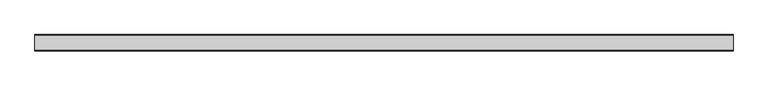
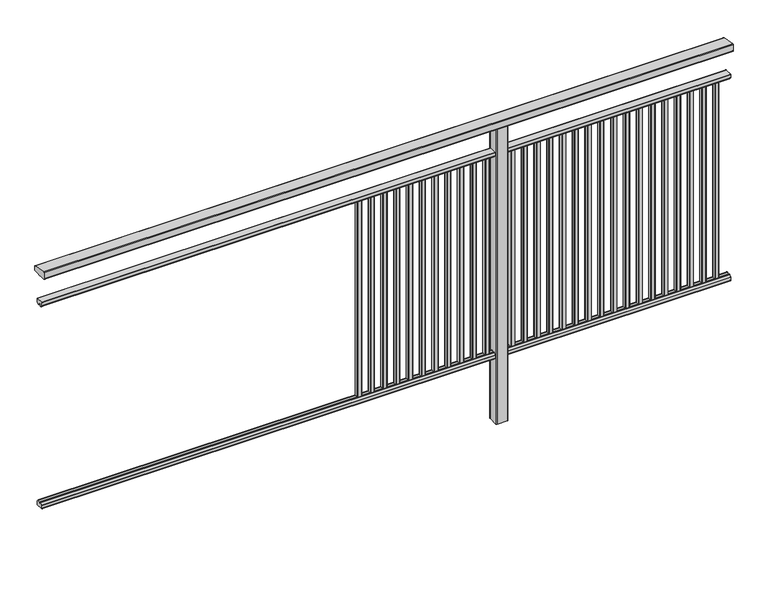
"""IFC4 building model written with IfcOpenShell, lengths in millimetres: railing geometry."""

from ifc_helpers import new_model, si_unit, point, frame, frame_2d, origin, place, context, project, spatial, polyline, circle_curve, trimmed, segment, composite_curve, outline, extrude, source, transform, mapped, element, save


def railing_857678ed(model_context):
    return source(origin(), model_context, "Body", "SweptSolid", [
        extrude(outline(composite_curve([segment(polyline([(8389.3630551, 1199.9544233), (8453.3630551, 1188.6694965)]), True, "CONTINUOUS"), segment(trimmed(circle_curve(frame_2d((8452.8421106, 1185.7150732)), 3.0), [point((8453.3630551, 1188.6694965))], [point((8455.8421106, 1185.7150732))], False, "CARTESIAN"), True, "CONTINUOUS"), segment(polyline([(8455.8421106, 1185.7150732), (8455.8421106, 1169.2)]), True, "CONTINUOUS"), segment(trimmed(circle_curve(frame_2d((8452.8421106, 1169.2)), 3.0), [point((8455.8421106, 1169.2))], [point((8452.8421106, 1166.2))], False, "CARTESIAN"), True, "CONTINUOUS"), segment(polyline([(8452.8421106, 1166.2), (8429.17694, 1166.2)]), True, "CONTINUOUS"), segment(trimmed(circle_curve(frame_2d((8420.8500931, 1183.2818957)), 19.003356), [point((8429.17694, 1166.2))], [point((8412.5232463, 1166.2))], False, "CARTESIAN"), True, "CONTINUOUS"), segment(polyline([(8412.5232463, 1166.2), (8388.8421106, 1166.2)]), True, "CONTINUOUS"), segment(trimmed(circle_curve(frame_2d((8388.8421106, 1169.2)), 3.0), [point((8388.8421106, 1166.2))], [point((8385.8421106, 1169.2))], False, "CARTESIAN"), True, "CONTINUOUS"), segment(polyline([(8385.8421106, 1169.2), (8385.8421106, 1197.0)]), True, "CONTINUOUS"), segment(trimmed(circle_curve(frame_2d((8388.8421106, 1197.0)), 3.0), [point((8385.8421106, 1197.0))], [point((8389.3630551, 1199.9544233))], False, "CARTESIAN"), True, "CONTINUOUS")], self_intersect=False)), frame((3671.3946925, 0.0, 0.0), z_axis=(1.0, 0.0, 0.0), x_axis=(0.0, 1.0, 0.0)), (0.0, 0.0, 1.0), 3000.0),
        extrude(outline(composite_curve([segment(polyline([(8436.5508136, 100.0), (8405.1507946, 100.0)]), True, "CONTINUOUS"), segment(trimmed(circle_curve(frame_2d((8405.1507946, 101.8)), 1.8), [point((8405.1507946, 100.0))], [point((8403.3507946, 101.8))], False, "CARTESIAN"), True, "CONTINUOUS"), segment(polyline([(8403.3507946, 101.8), (8403.3507946, 115.5269955)]), True, "CONTINUOUS"), segment(trimmed(circle_curve(frame_2d((8405.1507946, 115.5269955)), 1.8), [point((8403.3507946, 115.5269955))], [point((8403.7923399, 116.7079277))], False, "CARTESIAN"), True, "CONTINUOUS"), segment(polyline([(8403.7923399, 116.7079277), (8410.4626384, 124.3809322)]), True, "CONTINUOUS"), segment(trimmed(circle_curve(frame_2d((8411.8210931, 123.2)), 1.8), [point((8410.4626384, 124.3809322))], [point((8411.8210931, 125.0))], False, "CARTESIAN"), True, "CONTINUOUS"), segment(polyline([(8411.8210931, 125.0), (8415.5111113, 125.0), (8416.809143, 113.0), (8424.8924411, 113.0), (8426.1904978, 125.0), (8429.88054, 125.0)]), True, "CONTINUOUS"), segment(trimmed(circle_curve(frame_2d((8429.88054, 123.2)), 1.8), [point((8429.88054, 125.0))], [point((8431.2389969, 124.3809297))], False, "CARTESIAN"), True, "CONTINUOUS"), segment(polyline([(8431.2389969, 124.3809297), (8437.9092704, 116.7079252)]), True, "CONTINUOUS"), segment(trimmed(circle_curve(frame_2d((8436.5508136, 115.5269955)), 1.8), [point((8437.9092704, 116.7079252))], [point((8438.3508136, 115.5269955))], False, "CARTESIAN"), True, "CONTINUOUS"), segment(polyline([(8438.3508136, 115.5269955), (8438.3508136, 101.8)]), True, "CONTINUOUS"), segment(trimmed(circle_curve(frame_2d((8436.5508136, 101.8)), 1.8), [point((8438.3508136, 101.8))], [point((8436.5508136, 100.0))], False, "CARTESIAN"), True, "CONTINUOUS")], self_intersect=False)), frame((3671.3946925, 0.0, 0.0), z_axis=(1.0, 0.0, 0.0), x_axis=(0.0, 1.0, 0.0)), (0.0, 0.0, 1.0), 3000.0),
        extrude(outline(composite_curve([segment(polyline([(8405.1507946, 1050.0), (8436.5508136, 1050.0)]), True, "CONTINUOUS"), segment(trimmed(circle_curve(frame_2d((8436.5508136, 1048.2)), 1.8), [point((8436.5508136, 1050.0))], [point((8438.3508136, 1048.2))], False, "CARTESIAN"), True, "CONTINUOUS"), segment(polyline([(8438.3508136, 1048.2), (8438.3508136, 1034.4730045)]), True, "CONTINUOUS"), segment(trimmed(circle_curve(frame_2d((8436.5508136, 1034.4730045)), 1.8), [point((8438.3508136, 1034.4730045))], [point((8437.9092704, 1033.2920748))], False, "CARTESIAN"), True, "CONTINUOUS"), segment(polyline([(8437.9092704, 1033.2920748), (8431.2389969, 1025.6190703)]), True, "CONTINUOUS"), segment(trimmed(circle_curve(frame_2d((8429.88054, 1026.8)), 1.8), [point((8431.2389969, 1025.6190703))], [point((8429.88054, 1025.0))], False, "CARTESIAN"), True, "CONTINUOUS"), segment(polyline([(8429.88054, 1025.0), (8426.1904978, 1025.0), (8424.8924411, 1037.0), (8416.809143, 1037.0), (8415.5111113, 1025.0), (8411.8210931, 1025.0)]), True, "CONTINUOUS"), segment(trimmed(circle_curve(frame_2d((8411.8210931, 1026.8)), 1.8), [point((8411.8210931, 1025.0))], [point((8410.4626384, 1025.6190678))], False, "CARTESIAN"), True, "CONTINUOUS"), segment(polyline([(8410.4626384, 1025.6190678), (8403.7923399, 1033.2920723)]), True, "CONTINUOUS"), segment(trimmed(circle_curve(frame_2d((8405.1507946, 1034.4730045)), 1.8), [point((8403.7923399, 1033.2920723))], [point((8403.3507946, 1034.4730045))], False, "CARTESIAN"), True, "CONTINUOUS"), segment(polyline([(8403.3507946, 1034.4730045), (8403.3507946, 1048.2)]), True, "CONTINUOUS"), segment(trimmed(circle_curve(frame_2d((8405.1507946, 1048.2)), 1.8), [point((8403.3507946, 1048.2))], [point((8405.1507946, 1050.0))], False, "CARTESIAN"), True, "CONTINUOUS")], self_intersect=False)), frame((3671.3946925, 0.0, 0.0), z_axis=(1.0, 0.0, 0.0), x_axis=(0.0, 1.0, 0.0)), (0.0, 0.0, 1.0), 3000.0),
        extrude(outline(composite_curve([segment(trimmed(circle_curve(frame_2d((6608.2391355, 8428.4508236)), 1.4), [point((6606.8391355, 8428.4508236))], [point((6608.2391355, 8429.8508236))], False, "CARTESIAN"), True, "CONTINUOUS"), segment(polyline([(6608.2391355, 8429.8508236), (6623.4391385, 8429.8508236)]), True, "CONTINUOUS"), segment(trimmed(circle_curve(frame_2d((6623.4391385, 8428.4508236)), 1.4), [point((6623.4391385, 8429.8508236))], [point((6624.8391385, 8428.4508236))], False, "CARTESIAN"), True, "CONTINUOUS"), segment(polyline([(6624.8391385, 8428.4508236), (6624.8391385, 8413.2507846)]), True, "CONTINUOUS"), segment(trimmed(circle_curve(frame_2d((6623.4391385, 8413.2507846)), 1.4), [point((6624.8391385, 8413.2507846))], [point((6623.4391385, 8411.8507846))], False, "CARTESIAN"), True, "CONTINUOUS"), segment(polyline([(6623.4391385, 8411.8507846), (6608.2391355, 8411.8507846)]), True, "CONTINUOUS"), segment(trimmed(circle_curve(frame_2d((6608.2391355, 8413.2507846)), 1.4), [point((6608.2391355, 8411.8507846))], [point((6606.8391355, 8413.2507846))], False, "CARTESIAN"), True, "CONTINUOUS"), segment(polyline([(6606.8391355, 8413.2507846), (6606.8391355, 8428.4508236)]), True, "CONTINUOUS")], self_intersect=False)), frame((0.0, 0.0, 125.0), z_axis=(0.0, 0.0, 1.0), x_axis=(1.0, 0.0, 0.0)), (0.0, 0.0, 1.0), 900.0),
        extrude(outline(composite_curve([segment(trimmed(circle_curve(frame_2d((6552.6835799, 8428.4508236)), 1.4), [point((6551.2835799, 8428.4508236))], [point((6552.6835799, 8429.8508236))], False, "CARTESIAN"), True, "CONTINUOUS"), segment(polyline([(6552.6835799, 8429.8508236), (6567.8835829, 8429.8508236)]), True, "CONTINUOUS"), segment(trimmed(circle_curve(frame_2d((6567.8835829, 8428.4508236)), 1.4), [point((6567.8835829, 8429.8508236))], [point((6569.2835829, 8428.4508236))], False, "CARTESIAN"), True, "CONTINUOUS"), segment(polyline([(6569.2835829, 8428.4508236), (6569.2835829, 8413.2507846)]), True, "CONTINUOUS"), segment(trimmed(circle_curve(frame_2d((6567.8835829, 8413.2507846)), 1.4), [point((6569.2835829, 8413.2507846))], [point((6567.8835829, 8411.8507846))], False, "CARTESIAN"), True, "CONTINUOUS"), segment(polyline([(6567.8835829, 8411.8507846), (6552.6835799, 8411.8507846)]), True, "CONTINUOUS"), segment(trimmed(circle_curve(frame_2d((6552.6835799, 8413.2507846)), 1.4), [point((6552.6835799, 8411.8507846))], [point((6551.2835799, 8413.2507846))], False, "CARTESIAN"), True, "CONTINUOUS"), segment(polyline([(6551.2835799, 8413.2507846), (6551.2835799, 8428.4508236)]), True, "CONTINUOUS")], self_intersect=False)), frame((0.0, 0.0, 125.0), z_axis=(0.0, 0.0, 1.0), x_axis=(1.0, 0.0, 0.0)), (0.0, 0.0, 1.0), 900.0),
        extrude(outline(composite_curve([segment(trimmed(circle_curve(frame_2d((6497.1280244, 8428.4508236)), 1.4), [point((6495.7280244, 8428.4508236))], [point((6497.1280244, 8429.8508236))], False, "CARTESIAN"), True, "CONTINUOUS"), segment(polyline([(6497.1280244, 8429.8508236), (6512.3280274, 8429.8508236)]), True, "CONTINUOUS"), segment(trimmed(circle_curve(frame_2d((6512.3280274, 8428.4508236)), 1.4), [point((6512.3280274, 8429.8508236))], [point((6513.7280274, 8428.4508236))], False, "CARTESIAN"), True, "CONTINUOUS"), segment(polyline([(6513.7280274, 8428.4508236), (6513.7280274, 8413.2507846)]), True, "CONTINUOUS"), segment(trimmed(circle_curve(frame_2d((6512.3280274, 8413.2507846)), 1.4), [point((6513.7280274, 8413.2507846))], [point((6512.3280274, 8411.8507846))], False, "CARTESIAN"), True, "CONTINUOUS"), segment(polyline([(6512.3280274, 8411.8507846), (6497.1280244, 8411.8507846)]), True, "CONTINUOUS"), segment(trimmed(circle_curve(frame_2d((6497.1280244, 8413.2507846)), 1.4), [point((6497.1280244, 8411.8507846))], [point((6495.7280244, 8413.2507846))], False, "CARTESIAN"), True, "CONTINUOUS"), segment(polyline([(6495.7280244, 8413.2507846), (6495.7280244, 8428.4508236)]), True, "CONTINUOUS")], self_intersect=False)), frame((0.0, 0.0, 125.0), z_axis=(0.0, 0.0, 1.0), x_axis=(1.0, 0.0, 0.0)), (0.0, 0.0, 1.0), 900.0),
        extrude(outline(composite_curve([segment(trimmed(circle_curve(frame_2d((6441.5724688, 8428.4508236)), 1.4), [point((6440.1724688, 8428.4508236))], [point((6441.5724688, 8429.8508236))], False, "CARTESIAN"), True, "CONTINUOUS"), segment(polyline([(6441.5724688, 8429.8508236), (6456.7724718, 8429.8508236)]), True, "CONTINUOUS"), segment(trimmed(circle_curve(frame_2d((6456.7724718, 8428.4508236)), 1.4), [point((6456.7724718, 8429.8508236))], [point((6458.1724718, 8428.4508236))], False, "CARTESIAN"), True, "CONTINUOUS"), segment(polyline([(6458.1724718, 8428.4508236), (6458.1724718, 8413.2507846)]), True, "CONTINUOUS"), segment(trimmed(circle_curve(frame_2d((6456.7724718, 8413.2507846)), 1.4), [point((6458.1724718, 8413.2507846))], [point((6456.7724718, 8411.8507846))], False, "CARTESIAN"), True, "CONTINUOUS"), segment(polyline([(6456.7724718, 8411.8507846), (6441.5724688, 8411.8507846)]), True, "CONTINUOUS"), segment(trimmed(circle_curve(frame_2d((6441.5724688, 8413.2507846)), 1.4), [point((6441.5724688, 8411.8507846))], [point((6440.1724688, 8413.2507846))], False, "CARTESIAN"), True, "CONTINUOUS"), segment(polyline([(6440.1724688, 8413.2507846), (6440.1724688, 8428.4508236)]), True, "CONTINUOUS")], self_intersect=False)), frame((0.0, 0.0, 125.0), z_axis=(0.0, 0.0, 1.0), x_axis=(1.0, 0.0, 0.0)), (0.0, 0.0, 1.0), 900.0),
        extrude(outline(composite_curve([segment(trimmed(circle_curve(frame_2d((6386.0169133, 8428.4508236)), 1.4), [point((6384.6169133, 8428.4508236))], [point((6386.0169133, 8429.8508236))], False, "CARTESIAN"), True, "CONTINUOUS"), segment(polyline([(6386.0169133, 8429.8508236), (6401.2169163, 8429.8508236)]), True, "CONTINUOUS"), segment(trimmed(circle_curve(frame_2d((6401.2169163, 8428.4508236)), 1.4), [point((6401.2169163, 8429.8508236))], [point((6402.6169163, 8428.4508236))], False, "CARTESIAN"), True, "CONTINUOUS"), segment(polyline([(6402.6169163, 8428.4508236), (6402.6169163, 8413.2507846)]), True, "CONTINUOUS"), segment(trimmed(circle_curve(frame_2d((6401.2169163, 8413.2507846)), 1.4), [point((6402.6169163, 8413.2507846))], [point((6401.2169163, 8411.8507846))], False, "CARTESIAN"), True, "CONTINUOUS"), segment(polyline([(6401.2169163, 8411.8507846), (6386.0169133, 8411.8507846)]), True, "CONTINUOUS"), segment(trimmed(circle_curve(frame_2d((6386.0169133, 8413.2507846)), 1.4), [point((6386.0169133, 8411.8507846))], [point((6384.6169133, 8413.2507846))], False, "CARTESIAN"), True, "CONTINUOUS"), segment(polyline([(6384.6169133, 8413.2507846), (6384.6169133, 8428.4508236)]), True, "CONTINUOUS")], self_intersect=False)), frame((0.0, 0.0, 125.0), z_axis=(0.0, 0.0, 1.0), x_axis=(1.0, 0.0, 0.0)), (0.0, 0.0, 1.0), 900.0),
        extrude(outline(composite_curve([segment(trimmed(circle_curve(frame_2d((6330.4613577, 8428.4508236)), 1.4), [point((6329.0613577, 8428.4508236))], [point((6330.4613577, 8429.8508236))], False, "CARTESIAN"), True, "CONTINUOUS"), segment(polyline([(6330.4613577, 8429.8508236), (6345.6613607, 8429.8508236)]), True, "CONTINUOUS"), segment(trimmed(circle_curve(frame_2d((6345.6613607, 8428.4508236)), 1.4), [point((6345.6613607, 8429.8508236))], [point((6347.0613607, 8428.4508236))], False, "CARTESIAN"), True, "CONTINUOUS"), segment(polyline([(6347.0613607, 8428.4508236), (6347.0613607, 8413.2507846)]), True, "CONTINUOUS"), segment(trimmed(circle_curve(frame_2d((6345.6613607, 8413.2507846)), 1.4), [point((6347.0613607, 8413.2507846))], [point((6345.6613607, 8411.8507846))], False, "CARTESIAN"), True, "CONTINUOUS"), segment(polyline([(6345.6613607, 8411.8507846), (6330.4613577, 8411.8507846)]), True, "CONTINUOUS"), segment(trimmed(circle_curve(frame_2d((6330.4613577, 8413.2507846)), 1.4), [point((6330.4613577, 8411.8507846))], [point((6329.0613577, 8413.2507846))], False, "CARTESIAN"), True, "CONTINUOUS"), segment(polyline([(6329.0613577, 8413.2507846), (6329.0613577, 8428.4508236)]), True, "CONTINUOUS")], self_intersect=False)), frame((0.0, 0.0, 125.0), z_axis=(0.0, 0.0, 1.0), x_axis=(1.0, 0.0, 0.0)), (0.0, 0.0, 1.0), 900.0),
        extrude(outline(composite_curve([segment(trimmed(circle_curve(frame_2d((6274.9058021, 8428.4508236)), 1.4), [point((6273.5058021, 8428.4508236))], [point((6274.9058021, 8429.8508236))], False, "CARTESIAN"), True, "CONTINUOUS"), segment(polyline([(6274.9058021, 8429.8508236), (6290.1058051, 8429.8508236)]), True, "CONTINUOUS"), segment(trimmed(circle_curve(frame_2d((6290.1058051, 8428.4508236)), 1.4), [point((6290.1058051, 8429.8508236))], [point((6291.5058051, 8428.4508236))], False, "CARTESIAN"), True, "CONTINUOUS"), segment(polyline([(6291.5058051, 8428.4508236), (6291.5058051, 8413.2507846)]), True, "CONTINUOUS"), segment(trimmed(circle_curve(frame_2d((6290.1058051, 8413.2507846)), 1.4), [point((6291.5058051, 8413.2507846))], [point((6290.1058051, 8411.8507846))], False, "CARTESIAN"), True, "CONTINUOUS"), segment(polyline([(6290.1058051, 8411.8507846), (6274.9058021, 8411.8507846)]), True, "CONTINUOUS"), segment(trimmed(circle_curve(frame_2d((6274.9058021, 8413.2507846)), 1.4), [point((6274.9058021, 8411.8507846))], [point((6273.5058021, 8413.2507846))], False, "CARTESIAN"), True, "CONTINUOUS"), segment(polyline([(6273.5058021, 8413.2507846), (6273.5058021, 8428.4508236)]), True, "CONTINUOUS")], self_intersect=False)), frame((0.0, 0.0, 125.0), z_axis=(0.0, 0.0, 1.0), x_axis=(1.0, 0.0, 0.0)), (0.0, 0.0, 1.0), 900.0),
        extrude(outline(composite_curve([segment(trimmed(circle_curve(frame_2d((6219.3502466, 8428.4508236)), 1.4), [point((6217.9502466, 8428.4508236))], [point((6219.3502466, 8429.8508236))], False, "CARTESIAN"), True, "CONTINUOUS"), segment(polyline([(6219.3502466, 8429.8508236), (6234.5502496, 8429.8508236)]), True, "CONTINUOUS"), segment(trimmed(circle_curve(frame_2d((6234.5502496, 8428.4508236)), 1.4), [point((6234.5502496, 8429.8508236))], [point((6235.9502496, 8428.4508236))], False, "CARTESIAN"), True, "CONTINUOUS"), segment(polyline([(6235.9502496, 8428.4508236), (6235.9502496, 8413.2507846)]), True, "CONTINUOUS"), segment(trimmed(circle_curve(frame_2d((6234.5502496, 8413.2507846)), 1.4), [point((6235.9502496, 8413.2507846))], [point((6234.5502496, 8411.8507846))], False, "CARTESIAN"), True, "CONTINUOUS"), segment(polyline([(6234.5502496, 8411.8507846), (6219.3502466, 8411.8507846)]), True, "CONTINUOUS"), segment(trimmed(circle_curve(frame_2d((6219.3502466, 8413.2507846)), 1.4), [point((6219.3502466, 8411.8507846))], [point((6217.9502466, 8413.2507846))], False, "CARTESIAN"), True, "CONTINUOUS"), segment(polyline([(6217.9502466, 8413.2507846), (6217.9502466, 8428.4508236)]), True, "CONTINUOUS")], self_intersect=False)), frame((0.0, 0.0, 125.0), z_axis=(0.0, 0.0, 1.0), x_axis=(1.0, 0.0, 0.0)), (0.0, 0.0, 1.0), 900.0),
        extrude(outline(composite_curve([segment(trimmed(circle_curve(frame_2d((6163.794691, 8428.4508236)), 1.4), [point((6162.394691, 8428.4508236))], [point((6163.794691, 8429.8508236))], False, "CARTESIAN"), True, "CONTINUOUS"), segment(polyline([(6163.794691, 8429.8508236), (6178.994694, 8429.8508236)]), True, "CONTINUOUS"), segment(trimmed(circle_curve(frame_2d((6178.994694, 8428.4508236)), 1.4), [point((6178.994694, 8429.8508236))], [point((6180.394694, 8428.4508236))], False, "CARTESIAN"), True, "CONTINUOUS"), segment(polyline([(6180.394694, 8428.4508236), (6180.394694, 8413.2507846)]), True, "CONTINUOUS"), segment(trimmed(circle_curve(frame_2d((6178.994694, 8413.2507846)), 1.4), [point((6180.394694, 8413.2507846))], [point((6178.994694, 8411.8507846))], False, "CARTESIAN"), True, "CONTINUOUS"), segment(polyline([(6178.994694, 8411.8507846), (6163.794691, 8411.8507846)]), True, "CONTINUOUS"), segment(trimmed(circle_curve(frame_2d((6163.794691, 8413.2507846)), 1.4), [point((6163.794691, 8411.8507846))], [point((6162.394691, 8413.2507846))], False, "CARTESIAN"), True, "CONTINUOUS"), segment(polyline([(6162.394691, 8413.2507846), (6162.394691, 8428.4508236)]), True, "CONTINUOUS")], self_intersect=False)), frame((0.0, 0.0, 125.0), z_axis=(0.0, 0.0, 1.0), x_axis=(1.0, 0.0, 0.0)), (0.0, 0.0, 1.0), 900.0),
        extrude(outline(composite_curve([segment(trimmed(circle_curve(frame_2d((6108.2391355, 8428.4508236)), 1.4), [point((6106.8391355, 8428.4508236))], [point((6108.2391355, 8429.8508236))], False, "CARTESIAN"), True, "CONTINUOUS"), segment(polyline([(6108.2391355, 8429.8508236), (6123.4391385, 8429.8508236)]), True, "CONTINUOUS"), segment(trimmed(circle_curve(frame_2d((6123.4391385, 8428.4508236)), 1.4), [point((6123.4391385, 8429.8508236))], [point((6124.8391385, 8428.4508236))], False, "CARTESIAN"), True, "CONTINUOUS"), segment(polyline([(6124.8391385, 8428.4508236), (6124.8391385, 8413.2507846)]), True, "CONTINUOUS"), segment(trimmed(circle_curve(frame_2d((6123.4391385, 8413.2507846)), 1.4), [point((6124.8391385, 8413.2507846))], [point((6123.4391385, 8411.8507846))], False, "CARTESIAN"), True, "CONTINUOUS"), segment(polyline([(6123.4391385, 8411.8507846), (6108.2391355, 8411.8507846)]), True, "CONTINUOUS"), segment(trimmed(circle_curve(frame_2d((6108.2391355, 8413.2507846)), 1.4), [point((6108.2391355, 8411.8507846))], [point((6106.8391355, 8413.2507846))], False, "CARTESIAN"), True, "CONTINUOUS"), segment(polyline([(6106.8391355, 8413.2507846), (6106.8391355, 8428.4508236)]), True, "CONTINUOUS")], self_intersect=False)), frame((0.0, 0.0, 125.0), z_axis=(0.0, 0.0, 1.0), x_axis=(1.0, 0.0, 0.0)), (0.0, 0.0, 1.0), 900.0),
        extrude(outline(composite_curve([segment(trimmed(circle_curve(frame_2d((6052.6835799, 8428.4508236)), 1.4), [point((6051.2835799, 8428.4508236))], [point((6052.6835799, 8429.8508236))], False, "CARTESIAN"), True, "CONTINUOUS"), segment(polyline([(6052.6835799, 8429.8508236), (6067.8835829, 8429.8508236)]), True, "CONTINUOUS"), segment(trimmed(circle_curve(frame_2d((6067.8835829, 8428.4508236)), 1.4), [point((6067.8835829, 8429.8508236))], [point((6069.2835829, 8428.4508236))], False, "CARTESIAN"), True, "CONTINUOUS"), segment(polyline([(6069.2835829, 8428.4508236), (6069.2835829, 8413.2507846)]), True, "CONTINUOUS"), segment(trimmed(circle_curve(frame_2d((6067.8835829, 8413.2507846)), 1.4), [point((6069.2835829, 8413.2507846))], [point((6067.8835829, 8411.8507846))], False, "CARTESIAN"), True, "CONTINUOUS"), segment(polyline([(6067.8835829, 8411.8507846), (6052.6835799, 8411.8507846)]), True, "CONTINUOUS"), segment(trimmed(circle_curve(frame_2d((6052.6835799, 8413.2507846)), 1.4), [point((6052.6835799, 8411.8507846))], [point((6051.2835799, 8413.2507846))], False, "CARTESIAN"), True, "CONTINUOUS"), segment(polyline([(6051.2835799, 8413.2507846), (6051.2835799, 8428.4508236)]), True, "CONTINUOUS")], self_intersect=False)), frame((0.0, 0.0, 125.0), z_axis=(0.0, 0.0, 1.0), x_axis=(1.0, 0.0, 0.0)), (0.0, 0.0, 1.0), 900.0),
        extrude(outline(composite_curve([segment(trimmed(circle_curve(frame_2d((5997.1280244, 8428.4508236)), 1.4), [point((5995.7280244, 8428.4508236))], [point((5997.1280244, 8429.8508236))], False, "CARTESIAN"), True, "CONTINUOUS"), segment(polyline([(5997.1280244, 8429.8508236), (6012.3280274, 8429.8508236)]), True, "CONTINUOUS"), segment(trimmed(circle_curve(frame_2d((6012.3280274, 8428.4508236)), 1.4), [point((6012.3280274, 8429.8508236))], [point((6013.7280274, 8428.4508236))], False, "CARTESIAN"), True, "CONTINUOUS"), segment(polyline([(6013.7280274, 8428.4508236), (6013.7280274, 8413.2507846)]), True, "CONTINUOUS"), segment(trimmed(circle_curve(frame_2d((6012.3280274, 8413.2507846)), 1.4), [point((6013.7280274, 8413.2507846))], [point((6012.3280274, 8411.8507846))], False, "CARTESIAN"), True, "CONTINUOUS"), segment(polyline([(6012.3280274, 8411.8507846), (5997.1280244, 8411.8507846)]), True, "CONTINUOUS"), segment(trimmed(circle_curve(frame_2d((5997.1280244, 8413.2507846)), 1.4), [point((5997.1280244, 8411.8507846))], [point((5995.7280244, 8413.2507846))], False, "CARTESIAN"), True, "CONTINUOUS"), segment(polyline([(5995.7280244, 8413.2507846), (5995.7280244, 8428.4508236)]), True, "CONTINUOUS")], self_intersect=False)), frame((0.0, 0.0, 125.0), z_axis=(0.0, 0.0, 1.0), x_axis=(1.0, 0.0, 0.0)), (0.0, 0.0, 1.0), 900.0),
        extrude(outline(composite_curve([segment(trimmed(circle_curve(frame_2d((5941.5724688, 8428.4508236)), 1.4), [point((5940.1724688, 8428.4508236))], [point((5941.5724688, 8429.8508236))], False, "CARTESIAN"), True, "CONTINUOUS"), segment(polyline([(5941.5724688, 8429.8508236), (5956.7724718, 8429.8508236)]), True, "CONTINUOUS"), segment(trimmed(circle_curve(frame_2d((5956.7724718, 8428.4508236)), 1.4), [point((5956.7724718, 8429.8508236))], [point((5958.1724718, 8428.4508236))], False, "CARTESIAN"), True, "CONTINUOUS"), segment(polyline([(5958.1724718, 8428.4508236), (5958.1724718, 8413.2507846)]), True, "CONTINUOUS"), segment(trimmed(circle_curve(frame_2d((5956.7724718, 8413.2507846)), 1.4), [point((5958.1724718, 8413.2507846))], [point((5956.7724718, 8411.8507846))], False, "CARTESIAN"), True, "CONTINUOUS"), segment(polyline([(5956.7724718, 8411.8507846), (5941.5724688, 8411.8507846)]), True, "CONTINUOUS"), segment(trimmed(circle_curve(frame_2d((5941.5724688, 8413.2507846)), 1.4), [point((5941.5724688, 8411.8507846))], [point((5940.1724688, 8413.2507846))], False, "CARTESIAN"), True, "CONTINUOUS"), segment(polyline([(5940.1724688, 8413.2507846), (5940.1724688, 8428.4508236)]), True, "CONTINUOUS")], self_intersect=False)), frame((0.0, 0.0, 125.0), z_axis=(0.0, 0.0, 1.0), x_axis=(1.0, 0.0, 0.0)), (0.0, 0.0, 1.0), 900.0),
        extrude(outline(composite_curve([segment(trimmed(circle_curve(frame_2d((5886.0169133, 8428.4508236)), 1.4), [point((5884.6169133, 8428.4508236))], [point((5886.0169133, 8429.8508236))], False, "CARTESIAN"), True, "CONTINUOUS"), segment(polyline([(5886.0169133, 8429.8508236), (5901.2169163, 8429.8508236)]), True, "CONTINUOUS"), segment(trimmed(circle_curve(frame_2d((5901.2169163, 8428.4508236)), 1.4), [point((5901.2169163, 8429.8508236))], [point((5902.6169163, 8428.4508236))], False, "CARTESIAN"), True, "CONTINUOUS"), segment(polyline([(5902.6169163, 8428.4508236), (5902.6169163, 8413.2507846)]), True, "CONTINUOUS"), segment(trimmed(circle_curve(frame_2d((5901.2169163, 8413.2507846)), 1.4), [point((5902.6169163, 8413.2507846))], [point((5901.2169163, 8411.8507846))], False, "CARTESIAN"), True, "CONTINUOUS"), segment(polyline([(5901.2169163, 8411.8507846), (5886.0169133, 8411.8507846)]), True, "CONTINUOUS"), segment(trimmed(circle_curve(frame_2d((5886.0169133, 8413.2507846)), 1.4), [point((5886.0169133, 8411.8507846))], [point((5884.6169133, 8413.2507846))], False, "CARTESIAN"), True, "CONTINUOUS"), segment(polyline([(5884.6169133, 8413.2507846), (5884.6169133, 8428.4508236)]), True, "CONTINUOUS")], self_intersect=False)), frame((0.0, 0.0, 125.0), z_axis=(0.0, 0.0, 1.0), x_axis=(1.0, 0.0, 0.0)), (0.0, 0.0, 1.0), 900.0),
        extrude(outline(composite_curve([segment(trimmed(circle_curve(frame_2d((5830.4613577, 8428.4508236)), 1.4), [point((5829.0613577, 8428.4508236))], [point((5830.4613577, 8429.8508236))], False, "CARTESIAN"), True, "CONTINUOUS"), segment(polyline([(5830.4613577, 8429.8508236), (5845.6613607, 8429.8508236)]), True, "CONTINUOUS"), segment(trimmed(circle_curve(frame_2d((5845.6613607, 8428.4508236)), 1.4), [point((5845.6613607, 8429.8508236))], [point((5847.0613607, 8428.4508236))], False, "CARTESIAN"), True, "CONTINUOUS"), segment(polyline([(5847.0613607, 8428.4508236), (5847.0613607, 8413.2507846)]), True, "CONTINUOUS"), segment(trimmed(circle_curve(frame_2d((5845.6613607, 8413.2507846)), 1.4), [point((5847.0613607, 8413.2507846))], [point((5845.6613607, 8411.8507846))], False, "CARTESIAN"), True, "CONTINUOUS"), segment(polyline([(5845.6613607, 8411.8507846), (5830.4613577, 8411.8507846)]), True, "CONTINUOUS"), segment(trimmed(circle_curve(frame_2d((5830.4613577, 8413.2507846)), 1.4), [point((5830.4613577, 8411.8507846))], [point((5829.0613577, 8413.2507846))], False, "CARTESIAN"), True, "CONTINUOUS"), segment(polyline([(5829.0613577, 8413.2507846), (5829.0613577, 8428.4508236)]), True, "CONTINUOUS")], self_intersect=False)), frame((0.0, 0.0, 125.0), z_axis=(0.0, 0.0, 1.0), x_axis=(1.0, 0.0, 0.0)), (0.0, 0.0, 1.0), 900.0),
        extrude(outline(composite_curve([segment(trimmed(circle_curve(frame_2d((5774.9058021, 8428.4508236)), 1.4), [point((5773.5058021, 8428.4508236))], [point((5774.9058021, 8429.8508236))], False, "CARTESIAN"), True, "CONTINUOUS"), segment(polyline([(5774.9058021, 8429.8508236), (5790.1058051, 8429.8508236)]), True, "CONTINUOUS"), segment(trimmed(circle_curve(frame_2d((5790.1058051, 8428.4508236)), 1.4), [point((5790.1058051, 8429.8508236))], [point((5791.5058051, 8428.4508236))], False, "CARTESIAN"), True, "CONTINUOUS"), segment(polyline([(5791.5058051, 8428.4508236), (5791.5058051, 8413.2507846)]), True, "CONTINUOUS"), segment(trimmed(circle_curve(frame_2d((5790.1058051, 8413.2507846)), 1.4), [point((5791.5058051, 8413.2507846))], [point((5790.1058051, 8411.8507846))], False, "CARTESIAN"), True, "CONTINUOUS"), segment(polyline([(5790.1058051, 8411.8507846), (5774.9058021, 8411.8507846)]), True, "CONTINUOUS"), segment(trimmed(circle_curve(frame_2d((5774.9058021, 8413.2507846)), 1.4), [point((5774.9058021, 8411.8507846))], [point((5773.5058021, 8413.2507846))], False, "CARTESIAN"), True, "CONTINUOUS"), segment(polyline([(5773.5058021, 8413.2507846), (5773.5058021, 8428.4508236)]), True, "CONTINUOUS")], self_intersect=False)), frame((0.0, 0.0, 125.0), z_axis=(0.0, 0.0, 1.0), x_axis=(1.0, 0.0, 0.0)), (0.0, 0.0, 1.0), 900.0),
        extrude(outline(composite_curve([segment(trimmed(circle_curve(frame_2d((5719.3502466, 8428.4508236)), 1.4), [point((5717.9502466, 8428.4508236))], [point((5719.3502466, 8429.8508236))], False, "CARTESIAN"), True, "CONTINUOUS"), segment(polyline([(5719.3502466, 8429.8508236), (5734.5502496, 8429.8508236)]), True, "CONTINUOUS"), segment(trimmed(circle_curve(frame_2d((5734.5502496, 8428.4508236)), 1.4), [point((5734.5502496, 8429.8508236))], [point((5735.9502496, 8428.4508236))], False, "CARTESIAN"), True, "CONTINUOUS"), segment(polyline([(5735.9502496, 8428.4508236), (5735.9502496, 8413.2507846)]), True, "CONTINUOUS"), segment(trimmed(circle_curve(frame_2d((5734.5502496, 8413.2507846)), 1.4), [point((5735.9502496, 8413.2507846))], [point((5734.5502496, 8411.8507846))], False, "CARTESIAN"), True, "CONTINUOUS"), segment(polyline([(5734.5502496, 8411.8507846), (5719.3502466, 8411.8507846)]), True, "CONTINUOUS"), segment(trimmed(circle_curve(frame_2d((5719.3502466, 8413.2507846)), 1.4), [point((5719.3502466, 8411.8507846))], [point((5717.9502466, 8413.2507846))], False, "CARTESIAN"), True, "CONTINUOUS"), segment(polyline([(5717.9502466, 8413.2507846), (5717.9502466, 8428.4508236)]), True, "CONTINUOUS")], self_intersect=False)), frame((0.0, 0.0, 125.0), z_axis=(0.0, 0.0, 1.0), x_axis=(1.0, 0.0, 0.0)), (0.0, 0.0, 1.0), 900.0),
        extrude(outline(composite_curve([segment(trimmed(circle_curve(frame_2d((5693.7947043, 8443.2508153)), 3.0), [point((5693.794704, 8446.2508153))], [point((5696.7947043, 8443.2508156))], False, "CARTESIAN"), True, "CONTINUOUS"), segment(polyline([(5696.7947043, 8443.2508156), (5696.7947083, 8398.4507926)]), True, "CONTINUOUS"), segment(trimmed(circle_curve(frame_2d((5693.7947083, 8398.4507923)), 3.0), [point((5696.7947083, 8398.4507926))], [point((5693.7947086, 8395.4507923))], False, "CARTESIAN"), True, "CONTINUOUS"), segment(polyline([(5693.7947086, 8395.4507923), (5648.9946856, 8395.4507883)]), True, "CONTINUOUS"), segment(trimmed(circle_curve(frame_2d((5648.9946853, 8398.4507883)), 3.0), [point((5648.9946856, 8395.4507883))], [point((5645.9946853, 8398.450788))], False, "CARTESIAN"), True, "CONTINUOUS"), segment(polyline([(5645.9946853, 8398.450788), (5645.9946813, 8443.250811)]), True, "CONTINUOUS"), segment(trimmed(circle_curve(frame_2d((5648.9946813, 8443.2508113)), 3.0), [point((5645.9946813, 8443.250811))], [point((5648.994681, 8446.2508113))], False, "CARTESIAN"), True, "CONTINUOUS"), segment(polyline([(5648.994681, 8446.2508113), (5693.794704, 8446.2508153)]), True, "CONTINUOUS")], self_intersect=False)), frame((0.0, 0.0, -198.0), z_axis=(0.0, 0.0, 1.0), x_axis=(1.0, 0.0, 0.0)), (0.0, 0.0, 1.0), 1362.2785397),
        extrude(outline(composite_curve([segment(trimmed(circle_curve(frame_2d((5608.2391355, 8428.4508236)), 1.4), [point((5606.8391355, 8428.4508236))], [point((5608.2391355, 8429.8508236))], False, "CARTESIAN"), True, "CONTINUOUS"), segment(polyline([(5608.2391355, 8429.8508236), (5623.4391385, 8429.8508236)]), True, "CONTINUOUS"), segment(trimmed(circle_curve(frame_2d((5623.4391385, 8428.4508236)), 1.4), [point((5623.4391385, 8429.8508236))], [point((5624.8391385, 8428.4508236))], False, "CARTESIAN"), True, "CONTINUOUS"), segment(polyline([(5624.8391385, 8428.4508236), (5624.8391385, 8413.2507846)]), True, "CONTINUOUS"), segment(trimmed(circle_curve(frame_2d((5623.4391385, 8413.2507846)), 1.4), [point((5624.8391385, 8413.2507846))], [point((5623.4391385, 8411.8507846))], False, "CARTESIAN"), True, "CONTINUOUS"), segment(polyline([(5623.4391385, 8411.8507846), (5608.2391355, 8411.8507846)]), True, "CONTINUOUS"), segment(trimmed(circle_curve(frame_2d((5608.2391355, 8413.2507846)), 1.4), [point((5608.2391355, 8411.8507846))], [point((5606.8391355, 8413.2507846))], False, "CARTESIAN"), True, "CONTINUOUS"), segment(polyline([(5606.8391355, 8413.2507846), (5606.8391355, 8428.4508236)]), True, "CONTINUOUS")], self_intersect=False)), frame((0.0, 0.0, 125.0), z_axis=(0.0, 0.0, 1.0), x_axis=(1.0, 0.0, 0.0)), (0.0, 0.0, 1.0), 900.0),
        extrude(outline(composite_curve([segment(trimmed(circle_curve(frame_2d((5552.6835799, 8428.4508236)), 1.4), [point((5551.2835799, 8428.4508236))], [point((5552.6835799, 8429.8508236))], False, "CARTESIAN"), True, "CONTINUOUS"), segment(polyline([(5552.6835799, 8429.8508236), (5567.8835829, 8429.8508236)]), True, "CONTINUOUS"), segment(trimmed(circle_curve(frame_2d((5567.8835829, 8428.4508236)), 1.4), [point((5567.8835829, 8429.8508236))], [point((5569.2835829, 8428.4508236))], False, "CARTESIAN"), True, "CONTINUOUS"), segment(polyline([(5569.2835829, 8428.4508236), (5569.2835829, 8413.2507846)]), True, "CONTINUOUS"), segment(trimmed(circle_curve(frame_2d((5567.8835829, 8413.2507846)), 1.4), [point((5569.2835829, 8413.2507846))], [point((5567.8835829, 8411.8507846))], False, "CARTESIAN"), True, "CONTINUOUS"), segment(polyline([(5567.8835829, 8411.8507846), (5552.6835799, 8411.8507846)]), True, "CONTINUOUS"), segment(trimmed(circle_curve(frame_2d((5552.6835799, 8413.2507846)), 1.4), [point((5552.6835799, 8411.8507846))], [point((5551.2835799, 8413.2507846))], False, "CARTESIAN"), True, "CONTINUOUS"), segment(polyline([(5551.2835799, 8413.2507846), (5551.2835799, 8428.4508236)]), True, "CONTINUOUS")], self_intersect=False)), frame((0.0, 0.0, 125.0), z_axis=(0.0, 0.0, 1.0), x_axis=(1.0, 0.0, 0.0)), (0.0, 0.0, 1.0), 900.0),
        extrude(outline(composite_curve([segment(trimmed(circle_curve(frame_2d((5497.1280244, 8428.4508236)), 1.4), [point((5495.7280244, 8428.4508236))], [point((5497.1280244, 8429.8508236))], False, "CARTESIAN"), True, "CONTINUOUS"), segment(polyline([(5497.1280244, 8429.8508236), (5512.3280274, 8429.8508236)]), True, "CONTINUOUS"), segment(trimmed(circle_curve(frame_2d((5512.3280274, 8428.4508236)), 1.4), [point((5512.3280274, 8429.8508236))], [point((5513.7280274, 8428.4508236))], False, "CARTESIAN"), True, "CONTINUOUS"), segment(polyline([(5513.7280274, 8428.4508236), (5513.7280274, 8413.2507846)]), True, "CONTINUOUS"), segment(trimmed(circle_curve(frame_2d((5512.3280274, 8413.2507846)), 1.4), [point((5513.7280274, 8413.2507846))], [point((5512.3280274, 8411.8507846))], False, "CARTESIAN"), True, "CONTINUOUS"), segment(polyline([(5512.3280274, 8411.8507846), (5497.1280244, 8411.8507846)]), True, "CONTINUOUS"), segment(trimmed(circle_curve(frame_2d((5497.1280244, 8413.2507846)), 1.4), [point((5497.1280244, 8411.8507846))], [point((5495.7280244, 8413.2507846))], False, "CARTESIAN"), True, "CONTINUOUS"), segment(polyline([(5495.7280244, 8413.2507846), (5495.7280244, 8428.4508236)]), True, "CONTINUOUS")], self_intersect=False)), frame((0.0, 0.0, 125.0), z_axis=(0.0, 0.0, 1.0), x_axis=(1.0, 0.0, 0.0)), (0.0, 0.0, 1.0), 900.0),
        extrude(outline(composite_curve([segment(trimmed(circle_curve(frame_2d((5441.5724688, 8428.4508236)), 1.4), [point((5440.1724688, 8428.4508236))], [point((5441.5724688, 8429.8508236))], False, "CARTESIAN"), True, "CONTINUOUS"), segment(polyline([(5441.5724688, 8429.8508236), (5456.7724718, 8429.8508236)]), True, "CONTINUOUS"), segment(trimmed(circle_curve(frame_2d((5456.7724718, 8428.4508236)), 1.4), [point((5456.7724718, 8429.8508236))], [point((5458.1724718, 8428.4508236))], False, "CARTESIAN"), True, "CONTINUOUS"), segment(polyline([(5458.1724718, 8428.4508236), (5458.1724718, 8413.2507846)]), True, "CONTINUOUS"), segment(trimmed(circle_curve(frame_2d((5456.7724718, 8413.2507846)), 1.4), [point((5458.1724718, 8413.2507846))], [point((5456.7724718, 8411.8507846))], False, "CARTESIAN"), True, "CONTINUOUS"), segment(polyline([(5456.7724718, 8411.8507846), (5441.5724688, 8411.8507846)]), True, "CONTINUOUS"), segment(trimmed(circle_curve(frame_2d((5441.5724688, 8413.2507846)), 1.4), [point((5441.5724688, 8411.8507846))], [point((5440.1724688, 8413.2507846))], False, "CARTESIAN"), True, "CONTINUOUS"), segment(polyline([(5440.1724688, 8413.2507846), (5440.1724688, 8428.4508236)]), True, "CONTINUOUS")], self_intersect=False)), frame((0.0, 0.0, 125.0), z_axis=(0.0, 0.0, 1.0), x_axis=(1.0, 0.0, 0.0)), (0.0, 0.0, 1.0), 900.0),
        extrude(outline(composite_curve([segment(trimmed(circle_curve(frame_2d((5386.0169133, 8428.4508236)), 1.4), [point((5384.6169133, 8428.4508236))], [point((5386.0169133, 8429.8508236))], False, "CARTESIAN"), True, "CONTINUOUS"), segment(polyline([(5386.0169133, 8429.8508236), (5401.2169163, 8429.8508236)]), True, "CONTINUOUS"), segment(trimmed(circle_curve(frame_2d((5401.2169163, 8428.4508236)), 1.4), [point((5401.2169163, 8429.8508236))], [point((5402.6169163, 8428.4508236))], False, "CARTESIAN"), True, "CONTINUOUS"), segment(polyline([(5402.6169163, 8428.4508236), (5402.6169163, 8413.2507846)]), True, "CONTINUOUS"), segment(trimmed(circle_curve(frame_2d((5401.2169163, 8413.2507846)), 1.4), [point((5402.6169163, 8413.2507846))], [point((5401.2169163, 8411.8507846))], False, "CARTESIAN"), True, "CONTINUOUS"), segment(polyline([(5401.2169163, 8411.8507846), (5386.0169133, 8411.8507846)]), True, "CONTINUOUS"), segment(trimmed(circle_curve(frame_2d((5386.0169133, 8413.2507846)), 1.4), [point((5386.0169133, 8411.8507846))], [point((5384.6169133, 8413.2507846))], False, "CARTESIAN"), True, "CONTINUOUS"), segment(polyline([(5384.6169133, 8413.2507846), (5384.6169133, 8428.4508236)]), True, "CONTINUOUS")], self_intersect=False)), frame((0.0, 0.0, 125.0), z_axis=(0.0, 0.0, 1.0), x_axis=(1.0, 0.0, 0.0)), (0.0, 0.0, 1.0), 900.0),
        extrude(outline(composite_curve([segment(trimmed(circle_curve(frame_2d((5330.4613577, 8428.4508236)), 1.4), [point((5329.0613577, 8428.4508236))], [point((5330.4613577, 8429.8508236))], False, "CARTESIAN"), True, "CONTINUOUS"), segment(polyline([(5330.4613577, 8429.8508236), (5345.6613607, 8429.8508236)]), True, "CONTINUOUS"), segment(trimmed(circle_curve(frame_2d((5345.6613607, 8428.4508236)), 1.4), [point((5345.6613607, 8429.8508236))], [point((5347.0613607, 8428.4508236))], False, "CARTESIAN"), True, "CONTINUOUS"), segment(polyline([(5347.0613607, 8428.4508236), (5347.0613607, 8413.2507846)]), True, "CONTINUOUS"), segment(trimmed(circle_curve(frame_2d((5345.6613607, 8413.2507846)), 1.4), [point((5347.0613607, 8413.2507846))], [point((5345.6613607, 8411.8507846))], False, "CARTESIAN"), True, "CONTINUOUS"), segment(polyline([(5345.6613607, 8411.8507846), (5330.4613577, 8411.8507846)]), True, "CONTINUOUS"), segment(trimmed(circle_curve(frame_2d((5330.4613577, 8413.2507846)), 1.4), [point((5330.4613577, 8411.8507846))], [point((5329.0613577, 8413.2507846))], False, "CARTESIAN"), True, "CONTINUOUS"), segment(polyline([(5329.0613577, 8413.2507846), (5329.0613577, 8428.4508236)]), True, "CONTINUOUS")], self_intersect=False)), frame((0.0, 0.0, 125.0), z_axis=(0.0, 0.0, 1.0), x_axis=(1.0, 0.0, 0.0)), (0.0, 0.0, 1.0), 900.0),
        extrude(outline(composite_curve([segment(trimmed(circle_curve(frame_2d((5274.9058021, 8428.4508236)), 1.4), [point((5273.5058021, 8428.4508236))], [point((5274.9058021, 8429.8508236))], False, "CARTESIAN"), True, "CONTINUOUS"), segment(polyline([(5274.9058021, 8429.8508236), (5290.1058051, 8429.8508236)]), True, "CONTINUOUS"), segment(trimmed(circle_curve(frame_2d((5290.1058051, 8428.4508236)), 1.4), [point((5290.1058051, 8429.8508236))], [point((5291.5058051, 8428.4508236))], False, "CARTESIAN"), True, "CONTINUOUS"), segment(polyline([(5291.5058051, 8428.4508236), (5291.5058051, 8413.2507846)]), True, "CONTINUOUS"), segment(trimmed(circle_curve(frame_2d((5290.1058051, 8413.2507846)), 1.4), [point((5291.5058051, 8413.2507846))], [point((5290.1058051, 8411.8507846))], False, "CARTESIAN"), True, "CONTINUOUS"), segment(polyline([(5290.1058051, 8411.8507846), (5274.9058021, 8411.8507846)]), True, "CONTINUOUS"), segment(trimmed(circle_curve(frame_2d((5274.9058021, 8413.2507846)), 1.4), [point((5274.9058021, 8411.8507846))], [point((5273.5058021, 8413.2507846))], False, "CARTESIAN"), True, "CONTINUOUS"), segment(polyline([(5273.5058021, 8413.2507846), (5273.5058021, 8428.4508236)]), True, "CONTINUOUS")], self_intersect=False)), frame((0.0, 0.0, 125.0), z_axis=(0.0, 0.0, 1.0), x_axis=(1.0, 0.0, 0.0)), (0.0, 0.0, 1.0), 900.0),
        extrude(outline(composite_curve([segment(trimmed(circle_curve(frame_2d((5219.3502466, 8428.4508236)), 1.4), [point((5217.9502466, 8428.4508236))], [point((5219.3502466, 8429.8508236))], False, "CARTESIAN"), True, "CONTINUOUS"), segment(polyline([(5219.3502466, 8429.8508236), (5234.5502496, 8429.8508236)]), True, "CONTINUOUS"), segment(trimmed(circle_curve(frame_2d((5234.5502496, 8428.4508236)), 1.4), [point((5234.5502496, 8429.8508236))], [point((5235.9502496, 8428.4508236))], False, "CARTESIAN"), True, "CONTINUOUS"), segment(polyline([(5235.9502496, 8428.4508236), (5235.9502496, 8413.2507846)]), True, "CONTINUOUS"), segment(trimmed(circle_curve(frame_2d((5234.5502496, 8413.2507846)), 1.4), [point((5235.9502496, 8413.2507846))], [point((5234.5502496, 8411.8507846))], False, "CARTESIAN"), True, "CONTINUOUS"), segment(polyline([(5234.5502496, 8411.8507846), (5219.3502466, 8411.8507846)]), True, "CONTINUOUS"), segment(trimmed(circle_curve(frame_2d((5219.3502466, 8413.2507846)), 1.4), [point((5219.3502466, 8411.8507846))], [point((5217.9502466, 8413.2507846))], False, "CARTESIAN"), True, "CONTINUOUS"), segment(polyline([(5217.9502466, 8413.2507846), (5217.9502466, 8428.4508236)]), True, "CONTINUOUS")], self_intersect=False)), frame((0.0, 0.0, 125.0), z_axis=(0.0, 0.0, 1.0), x_axis=(1.0, 0.0, 0.0)), (0.0, 0.0, 1.0), 900.0),
        extrude(outline(composite_curve([segment(trimmed(circle_curve(frame_2d((5163.794691, 8428.4508236)), 1.4), [point((5162.394691, 8428.4508236))], [point((5163.794691, 8429.8508236))], False, "CARTESIAN"), True, "CONTINUOUS"), segment(polyline([(5163.794691, 8429.8508236), (5178.994694, 8429.8508236)]), True, "CONTINUOUS"), segment(trimmed(circle_curve(frame_2d((5178.994694, 8428.4508236)), 1.4), [point((5178.994694, 8429.8508236))], [point((5180.394694, 8428.4508236))], False, "CARTESIAN"), True, "CONTINUOUS"), segment(polyline([(5180.394694, 8428.4508236), (5180.394694, 8413.2507846)]), True, "CONTINUOUS"), segment(trimmed(circle_curve(frame_2d((5178.994694, 8413.2507846)), 1.4), [point((5180.394694, 8413.2507846))], [point((5178.994694, 8411.8507846))], False, "CARTESIAN"), True, "CONTINUOUS"), segment(polyline([(5178.994694, 8411.8507846), (5163.794691, 8411.8507846)]), True, "CONTINUOUS"), segment(trimmed(circle_curve(frame_2d((5163.794691, 8413.2507846)), 1.4), [point((5163.794691, 8411.8507846))], [point((5162.394691, 8413.2507846))], False, "CARTESIAN"), True, "CONTINUOUS"), segment(polyline([(5162.394691, 8413.2507846), (5162.394691, 8428.4508236)]), True, "CONTINUOUS")], self_intersect=False)), frame((0.0, 0.0, 125.0), z_axis=(0.0, 0.0, 1.0), x_axis=(1.0, 0.0, 0.0)), (0.0, 0.0, 1.0), 900.0),
        extrude(outline(composite_curve([segment(trimmed(circle_curve(frame_2d((5108.2391355, 8428.4508236)), 1.4), [point((5106.8391355, 8428.4508236))], [point((5108.2391355, 8429.8508236))], False, "CARTESIAN"), True, "CONTINUOUS"), segment(polyline([(5108.2391355, 8429.8508236), (5123.4391385, 8429.8508236)]), True, "CONTINUOUS"), segment(trimmed(circle_curve(frame_2d((5123.4391385, 8428.4508236)), 1.4), [point((5123.4391385, 8429.8508236))], [point((5124.8391385, 8428.4508236))], False, "CARTESIAN"), True, "CONTINUOUS"), segment(polyline([(5124.8391385, 8428.4508236), (5124.8391385, 8413.2507846)]), True, "CONTINUOUS"), segment(trimmed(circle_curve(frame_2d((5123.4391385, 8413.2507846)), 1.4), [point((5124.8391385, 8413.2507846))], [point((5123.4391385, 8411.8507846))], False, "CARTESIAN"), True, "CONTINUOUS"), segment(polyline([(5123.4391385, 8411.8507846), (5108.2391355, 8411.8507846)]), True, "CONTINUOUS"), segment(trimmed(circle_curve(frame_2d((5108.2391355, 8413.2507846)), 1.4), [point((5108.2391355, 8411.8507846))], [point((5106.8391355, 8413.2507846))], False, "CARTESIAN"), True, "CONTINUOUS"), segment(polyline([(5106.8391355, 8413.2507846), (5106.8391355, 8428.4508236)]), True, "CONTINUOUS")], self_intersect=False)), frame((0.0, 0.0, 125.0), z_axis=(0.0, 0.0, 1.0), x_axis=(1.0, 0.0, 0.0)), (0.0, 0.0, 1.0), 900.0),
        extrude(outline(composite_curve([segment(trimmed(circle_curve(frame_2d((5052.6835799, 8428.4508236)), 1.4), [point((5051.2835799, 8428.4508236))], [point((5052.6835799, 8429.8508236))], False, "CARTESIAN"), True, "CONTINUOUS"), segment(polyline([(5052.6835799, 8429.8508236), (5067.8835829, 8429.8508236)]), True, "CONTINUOUS"), segment(trimmed(circle_curve(frame_2d((5067.8835829, 8428.4508236)), 1.4), [point((5067.8835829, 8429.8508236))], [point((5069.2835829, 8428.4508236))], False, "CARTESIAN"), True, "CONTINUOUS"), segment(polyline([(5069.2835829, 8428.4508236), (5069.2835829, 8413.2507846)]), True, "CONTINUOUS"), segment(trimmed(circle_curve(frame_2d((5067.8835829, 8413.2507846)), 1.4), [point((5069.2835829, 8413.2507846))], [point((5067.8835829, 8411.8507846))], False, "CARTESIAN"), True, "CONTINUOUS"), segment(polyline([(5067.8835829, 8411.8507846), (5052.6835799, 8411.8507846)]), True, "CONTINUOUS"), segment(trimmed(circle_curve(frame_2d((5052.6835799, 8413.2507846)), 1.4), [point((5052.6835799, 8411.8507846))], [point((5051.2835799, 8413.2507846))], False, "CARTESIAN"), True, "CONTINUOUS"), segment(polyline([(5051.2835799, 8413.2507846), (5051.2835799, 8428.4508236)]), True, "CONTINUOUS")], self_intersect=False)), frame((0.0, 0.0, 125.0), z_axis=(0.0, 0.0, 1.0), x_axis=(1.0, 0.0, 0.0)), (0.0, 0.0, 1.0), 900.0),
    ])


if __name__ == "__main__":
    model = new_model("IFC4")
    model_context = context("Model", 3, world=origin())
    ifc_project = project(units=[si_unit("LENGTHUNIT", "METRE", prefix="MILLI")], contexts=[model_context])
    site = spatial("IfcSite", under=ifc_project)
    building = spatial("IfcBuilding", under=site)
    placement = place(None, origin())
    railing_shape = railing_857678ed(model_context)
    element("IfcRailing", 1, at=placement, inside=building, context=model_context, shape_type="MappedRepresentation", body=[
        mapped(railing_shape, transform((0.0, 0.0, 0.0), x_axis=(1.0, 0.0, 0.0), y_axis=(0.0, 1.0, 0.0), z_axis=(0.0, 0.0, 1.0))),
    ])
    save(model, "model.ifc")
